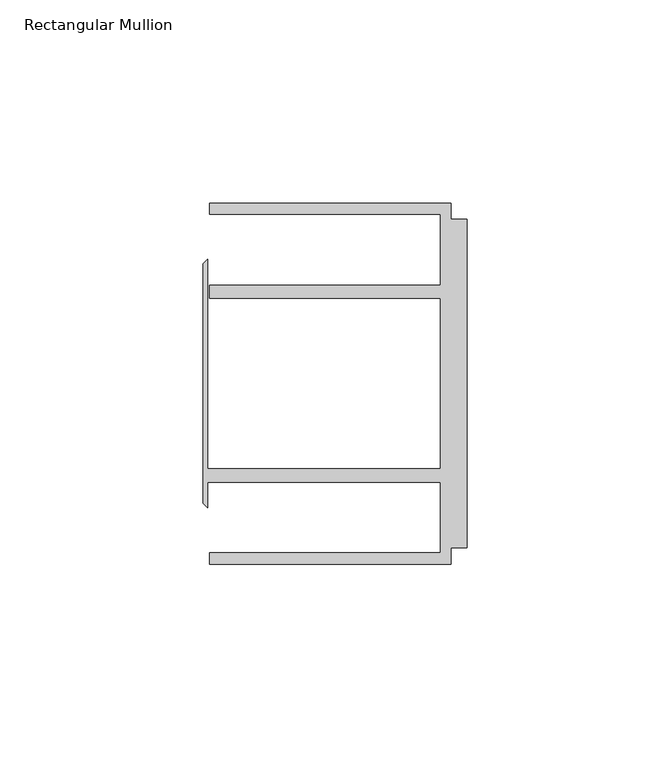
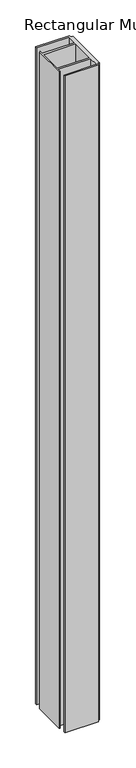
"""IFC4 building model written with IfcOpenShell, lengths in millimetres: member geometry, Rectangular Mullion."""

from ifc_helpers import new_model, si_unit, frame, origin, place, context, project, spatial, polyline, outline, extrude, source, transform, mapped, element, save


def rectangular_mullion_8f153421(model_context):
    return source(origin(), model_context, "Body", "SweptSolid", [
        extrude(outline(polyline([(-4.0000001, 44.45), (-4.0000001, 40.4500013), (0.0, 40.4500013), (0.0, -40.4500013), (-4.0000001, -40.4500013), (-4.0000001, -44.45), (-63.5, -44.45), (-63.5, -41.6500013), (-6.6000002, -41.6500013), (-6.6000002, -24.2500008), (-63.9424102, -24.2500008), (-63.9424102, -30.6159585), (-65.0875, -29.4708687), (-65.0875, 29.4708687), (-63.9424102, 30.6159585), (-63.9424102, -20.9500007), (-6.6000002, -20.9500007), (-6.6000002, 20.9500007), (-63.5, 20.9500007), (-63.5, 24.2500008), (-6.6000002, 24.2500008), (-6.6000002, 41.6500013), (-63.5, 41.6500013), (-63.5, 44.45), (-4.0000001, 44.45)])), frame((0.0, 0.0, -1219.2), z_axis=(0.0, 0.0, 1.0), x_axis=(1.0, 0.0, 0.0)), (0.0, 0.0, 1.0), 1219.2),
    ])


if __name__ == "__main__":
    model = new_model("IFC4")
    model_context = context("Model", 3, world=origin())
    ifc_project = project(units=[si_unit("LENGTHUNIT", "METRE", prefix="MILLI")], contexts=[model_context])
    site = spatial("IfcSite", under=ifc_project)
    building = spatial("IfcBuilding", under=site)
    placement = place(None, origin())
    rectangular_mullion_shape = rectangular_mullion_8f153421(model_context)
    element("IfcMember", 1, ObjectType="Rectangular Mullion", at=placement, inside=building, context=model_context, shape_type="MappedRepresentation", body=[
        mapped(rectangular_mullion_shape, transform((0.0, 0.0, 0.0), x_axis=(1.0, 0.0, 0.0), y_axis=(0.0, 1.0, 0.0), z_axis=(0.0, 0.0, 1.0))),
    ])
    save(model, "model.ifc")
